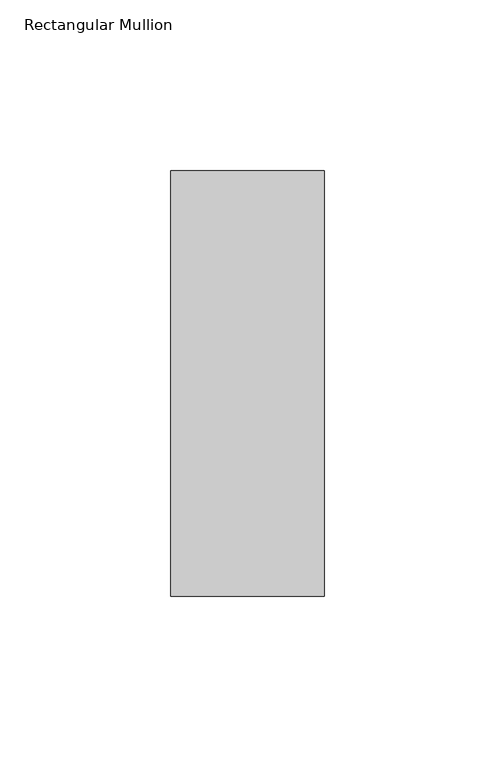
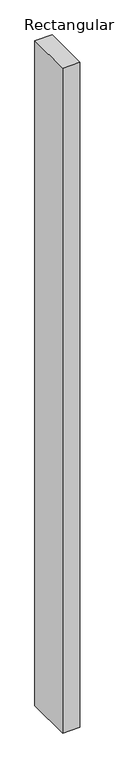
"""IFC4 building model written with IfcOpenShell, lengths in millimetres: member geometry, Rectangular Mullion."""

from ifc_helpers import new_model, si_unit, frame, origin, place, context, project, spatial, polyline, outline, extrude, source, transform, mapped, element, save


def rectangular_mullion_2913fce9(model_context):
    return source(origin(), model_context, "Body", "SweptSolid", [
        extrude(outline(polyline([(-45.0, 77.84375), (0.0, 77.84375), (0.0, -46.84375), (-45.0, -46.84375), (-45.0, 77.84375)])), frame((0.0, 0.0, -1828.8), z_axis=(0.0, 0.0, 1.0), x_axis=(1.0, 0.0, 0.0)), (0.0, 0.0, 1.0), 1828.8),
    ])


if __name__ == "__main__":
    model = new_model("IFC4")
    model_context = context("Model", 3, world=origin())
    ifc_project = project(units=[si_unit("LENGTHUNIT", "METRE", prefix="MILLI")], contexts=[model_context])
    site = spatial("IfcSite", under=ifc_project)
    building = spatial("IfcBuilding", under=site)
    placement = place(None, origin())
    rectangular_mullion_shape = rectangular_mullion_2913fce9(model_context)
    element("IfcMember", 1, ObjectType="Rectangular Mullion", at=placement, inside=building, context=model_context, shape_type="MappedRepresentation", body=[
        mapped(rectangular_mullion_shape, transform((0.0, 0.0, 0.0), x_axis=(1.0, 0.0, 0.0), y_axis=(0.0, 1.0, 0.0), z_axis=(0.0, 0.0, 1.0))),
    ])
    save(model, "model.ifc")
